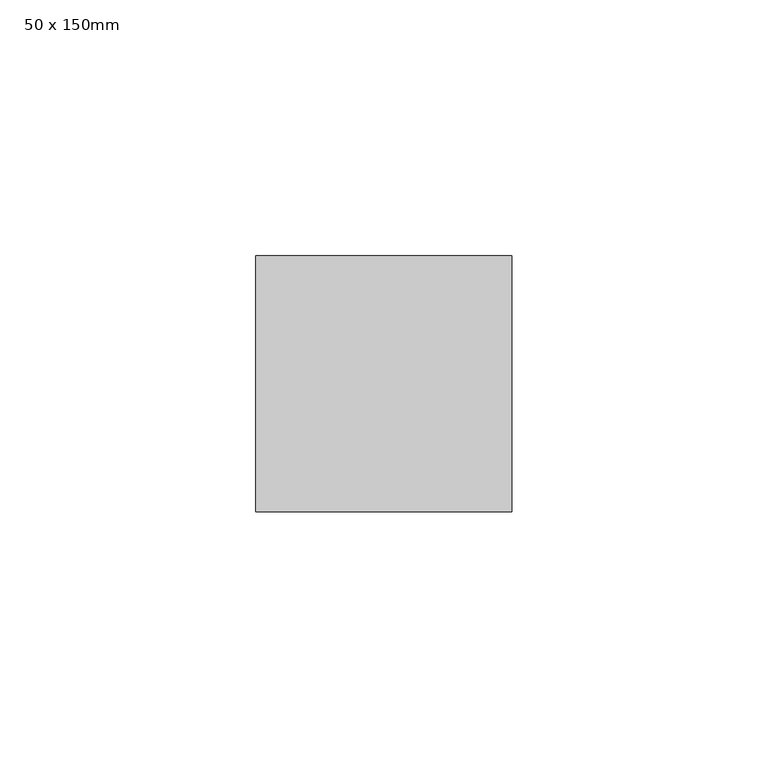
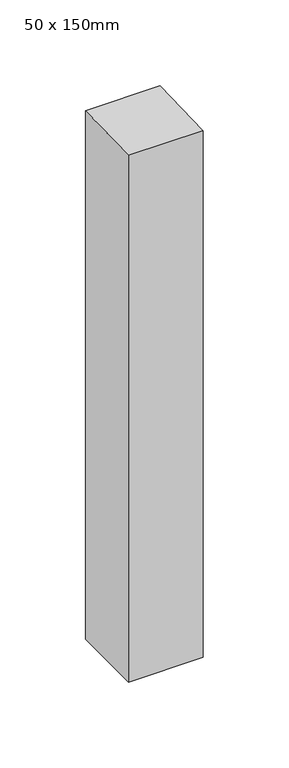
"""IFC4 building model written with IfcOpenShell, lengths in millimetres: member geometry, 50 x 150mm."""

from ifc_helpers import new_model, si_unit, frame, origin, place, context, project, spatial, polyline, outline, extrude, source, transform, mapped, element, save


def member_50_x_150mm_d90a8ac1(model_context):
    return source(origin(), model_context, "Body", "SweptSolid", [
        extrude(outline(polyline([(-25.0, -0.7651611), (25.0, 0.7651611), (25.0, -375.0), (-25.0, -375.0), (-25.0, -0.7651611)])), frame((-25.0, 0.0, 0.0), z_axis=(1.0, 0.0, 0.0), x_axis=(0.0, 1.0, 0.0)), (0.0, 0.0, 1.0), 50.0),
    ])


if __name__ == "__main__":
    model = new_model("IFC4")
    model_context = context("Model", 3, world=origin())
    ifc_project = project(units=[si_unit("LENGTHUNIT", "METRE", prefix="MILLI")], contexts=[model_context])
    site = spatial("IfcSite", under=ifc_project)
    building = spatial("IfcBuilding", under=site)
    placement = place(None, origin())
    member_50_x_150mm_shape = member_50_x_150mm_d90a8ac1(model_context)
    element("IfcMember", 1, ObjectType="50 x 150mm", at=placement, inside=building, context=model_context, shape_type="MappedRepresentation", body=[
        mapped(member_50_x_150mm_shape, transform((0.0, 0.0, 0.0), x_axis=(1.0, 0.0, 0.0), y_axis=(0.0, 1.0, 0.0), z_axis=(0.0, 0.0, 1.0))),
    ])
    save(model, "model.ifc")
